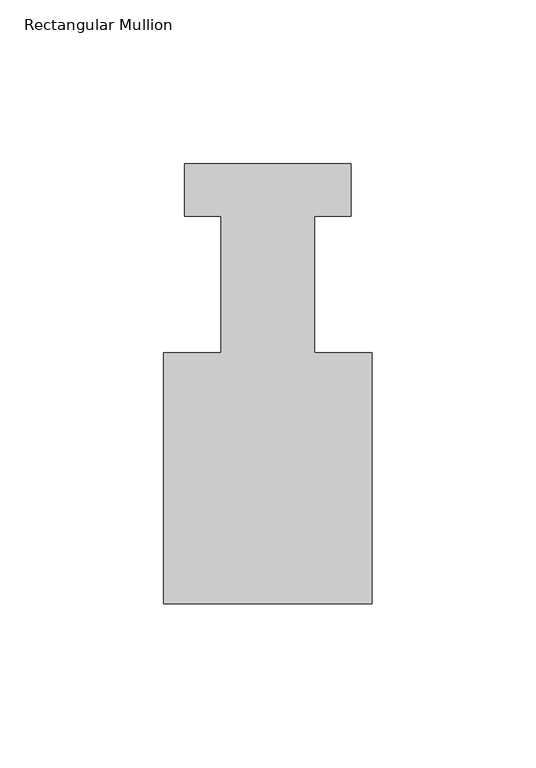
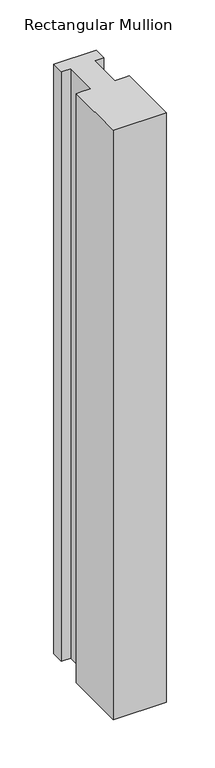
"""IFC4 building model written with IfcOpenShell, lengths in millimetres: member geometry, Rectangular Mullion."""

from ifc_helpers import new_model, si_unit, frame, origin, place, context, project, spatial, polyline, outline, extrude, source, transform, mapped, element, save


def rectangular_mullion_de818569(model_context):
    return source(origin(), model_context, "Body", "SweptSolid", [
        extrude(outline(polyline([(-31.75, -6.746875), (-25.4, -6.746875), (-14.2748, -6.746875), (-14.2748, 34.883725), (-25.4, 34.883725), (-25.4, 50.758725), (25.4, 50.758725), (25.4, 34.883725), (14.2748, 34.883725), (14.2748, -6.746875), (25.4, -6.746875), (31.75, -6.746875), (31.75, -83.277075), (-31.75, -83.277075), (-31.75, -6.746875)])), frame((0.0, 0.0, -744.4278414), z_axis=(0.0, 0.0, 1.0), x_axis=(1.0, 0.0, 0.0)), (0.0, 0.0, 1.0), 744.4278414),
    ])


if __name__ == "__main__":
    model = new_model("IFC4")
    model_context = context("Model", 3, world=origin())
    ifc_project = project(units=[si_unit("LENGTHUNIT", "METRE", prefix="MILLI")], contexts=[model_context])
    site = spatial("IfcSite", under=ifc_project)
    building = spatial("IfcBuilding", under=site)
    placement = place(None, origin())
    rectangular_mullion_shape = rectangular_mullion_de818569(model_context)
    element("IfcMember", 1, ObjectType="Rectangular Mullion", at=placement, inside=building, context=model_context, shape_type="MappedRepresentation", body=[
        mapped(rectangular_mullion_shape, transform((0.0, 0.0, 0.0), x_axis=(1.0, 0.0, 0.0), y_axis=(0.0, 1.0, 0.0), z_axis=(0.0, 0.0, 1.0))),
    ])
    save(model, "model.ifc")
